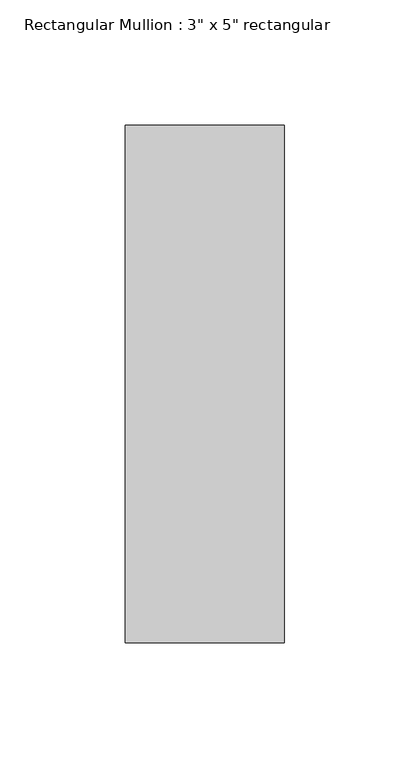
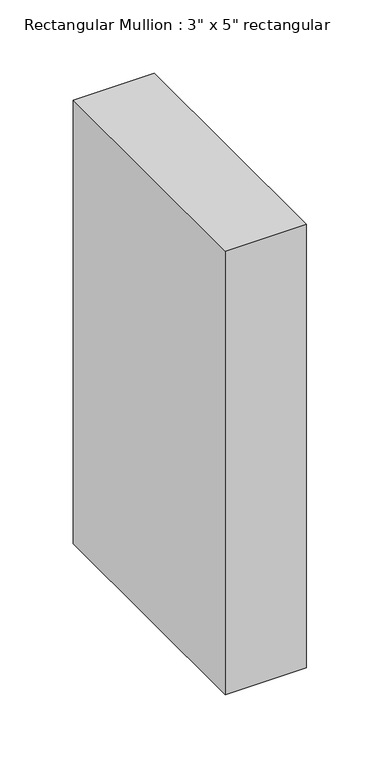
"""IFC4 building model written with IfcOpenShell, lengths in millimetres: member geometry."""

from ifc_helpers import new_model, si_unit, frame, origin, place, context, project, spatial, polyline, outline, extrude, source, transform, mapped, element, save


def member_dd840d9f(model_context):
    return source(origin(), model_context, "Body", "SweptSolid", [
        extrude(outline(polyline([(31.75, 90.551), (31.75, -115.951), (-31.75, -115.951), (-31.75, 90.551), (31.75, 90.551)])), frame((0.0, 0.0, -368.3), z_axis=(0.0, 0.0, 1.0), x_axis=(1.0, 0.0, 0.0)), (0.0, 0.0, 1.0), 368.3),
    ])


if __name__ == "__main__":
    model = new_model("IFC4")
    model_context = context("Model", 3, world=origin())
    ifc_project = project(units=[si_unit("LENGTHUNIT", "METRE", prefix="MILLI")], contexts=[model_context])
    site = spatial("IfcSite", under=ifc_project)
    building = spatial("IfcBuilding", under=site)
    placement = place(None, origin())
    member_shape = member_dd840d9f(model_context)
    element("IfcMember", 1, ObjectType="Rectangular Mullion : 3\" x 5\" rectangular", at=placement, inside=building, context=model_context, shape_type="MappedRepresentation", body=[
        mapped(member_shape, transform((0.0, 0.0, 0.0), x_axis=(1.0, 0.0, 0.0), y_axis=(0.0, 1.0, 0.0), z_axis=(0.0, 0.0, 1.0))),
    ])
    save(model, "model.ifc")
